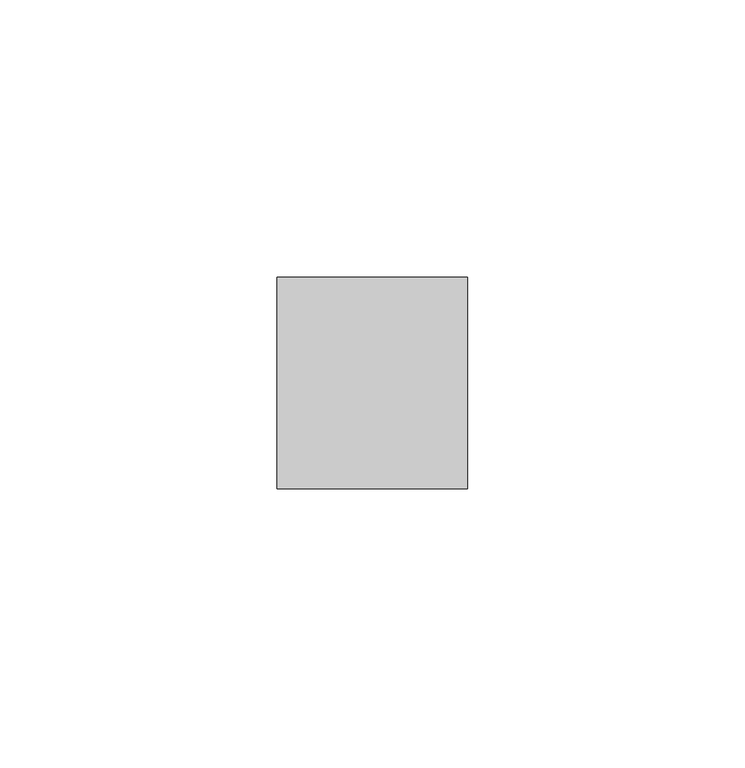
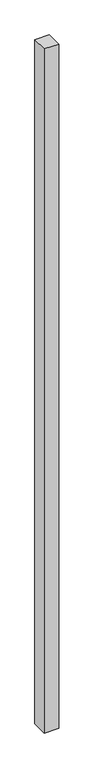
"""IFC4 building model written with IfcOpenShell, lengths in millimetres: plate geometry."""

from ifc_helpers import new_model, si_unit, origin, origin_with_axes, place, context, project, spatial, polyline, outline, extrude, source, transform, mapped, element, save


def plate_77d4053b(model_context):
    return source(origin(), model_context, "Body", "SweptSolid", [
        extrude(outline(polyline([(17.1340206, -19.05), (-17.1340206, -19.05), (-17.1340206, 19.05), (17.1340206, 19.05), (17.1340206, -19.05)])), origin_with_axes(), (0.0, 0.0, 1.0), 1708.8912252),
    ])


if __name__ == "__main__":
    model = new_model("IFC4")
    model_context = context("Model", 3, world=origin())
    ifc_project = project(units=[si_unit("LENGTHUNIT", "METRE", prefix="MILLI")], contexts=[model_context])
    site = spatial("IfcSite", under=ifc_project)
    building = spatial("IfcBuilding", under=site)
    placement = place(None, origin())
    plate_shape = plate_77d4053b(model_context)
    element("IfcPlate", 1, at=placement, inside=building, context=model_context, shape_type="MappedRepresentation", body=[
        mapped(plate_shape, transform((0.0, 0.0, 0.0), x_axis=(1.0, 0.0, 0.0), y_axis=(0.0, 1.0, 0.0), z_axis=(0.0, 0.0, 1.0))),
    ])
    save(model, "model.ifc")
